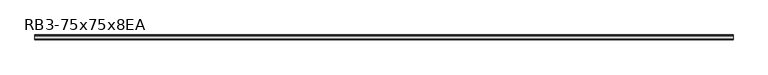
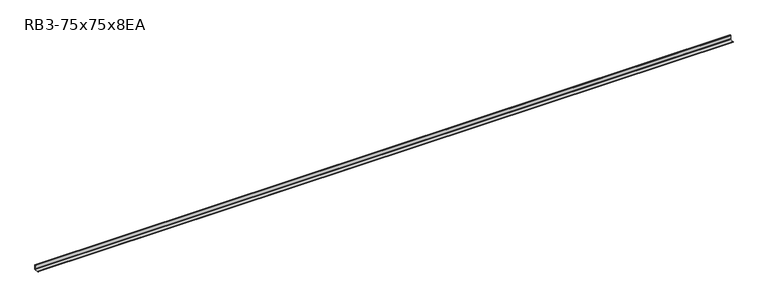
"""IFC4 building model written with IfcOpenShell, lengths in millimetres: member geometry, RB3-75x75x8EA."""

from ifc_helpers import new_model, si_unit, point, frame, frame_2d, origin, place, context, project, spatial, polyline, circle_curve, trimmed, segment, composite_curve, outline, extrude, source, transform, mapped, element, save


def rb3_75x75x8ea_c5b2fa88(model_context):
    return source(origin(), model_context, "Body", "SweptSolid", [
        extrude(outline(composite_curve([segment(polyline([(21.3, -21.3), (-53.7, -21.3), (-53.7, -18.3)]), True, "CONTINUOUS"), segment(trimmed(circle_curve(frame_2d((-48.7, -18.3)), 5.0), [point((-53.7, -18.3))], [point((-48.7, -13.3))], False, "CARTESIAN"), True, "CONTINUOUS"), segment(polyline([(-48.7, -13.3), (5.3, -13.3)]), True, "CONTINUOUS"), segment(trimmed(circle_curve(frame_2d((5.3, -5.3)), 8.0), [point((5.3, -13.3))], [point((13.3, -5.3))], True, "CARTESIAN"), True, "CONTINUOUS"), segment(polyline([(13.3, -5.3), (13.3, 48.7)]), True, "CONTINUOUS"), segment(trimmed(circle_curve(frame_2d((18.3, 48.7)), 5.0), [point((13.3, 48.7))], [point((18.3, 53.7))], False, "CARTESIAN"), True, "CONTINUOUS"), segment(polyline([(18.3, 53.7), (21.3, 53.7), (21.3, -21.3)]), True, "CONTINUOUS")], self_intersect=False)), frame((-5418.0, 0.0, 0.0), z_axis=(1.0, 0.0, 0.0), x_axis=(0.0, 1.0, 0.0)), (0.0, 0.0, 1.0), 10873.0),
    ])


if __name__ == "__main__":
    model = new_model("IFC4")
    model_context = context("Model", 3, world=origin())
    ifc_project = project(units=[si_unit("LENGTHUNIT", "METRE", prefix="MILLI")], contexts=[model_context])
    site = spatial("IfcSite", under=ifc_project)
    building = spatial("IfcBuilding", under=site)
    placement = place(None, origin())
    rb3_75x75x8ea_shape = rb3_75x75x8ea_c5b2fa88(model_context)
    element("IfcMember", 1, ObjectType="RB3-75x75x8EA", at=placement, inside=building, context=model_context, shape_type="MappedRepresentation", body=[
        mapped(rb3_75x75x8ea_shape, transform((0.0, 0.0, 0.0), x_axis=(1.0, 0.0, 0.0), y_axis=(0.0, 1.0, 0.0), z_axis=(0.0, 0.0, 1.0))),
    ])
    save(model, "model.ifc")
